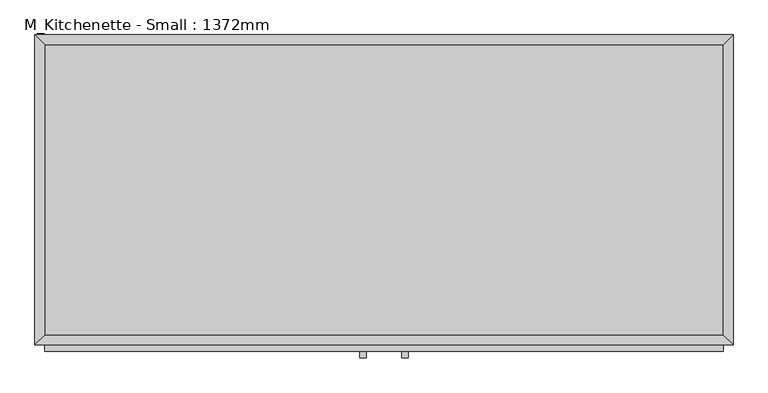
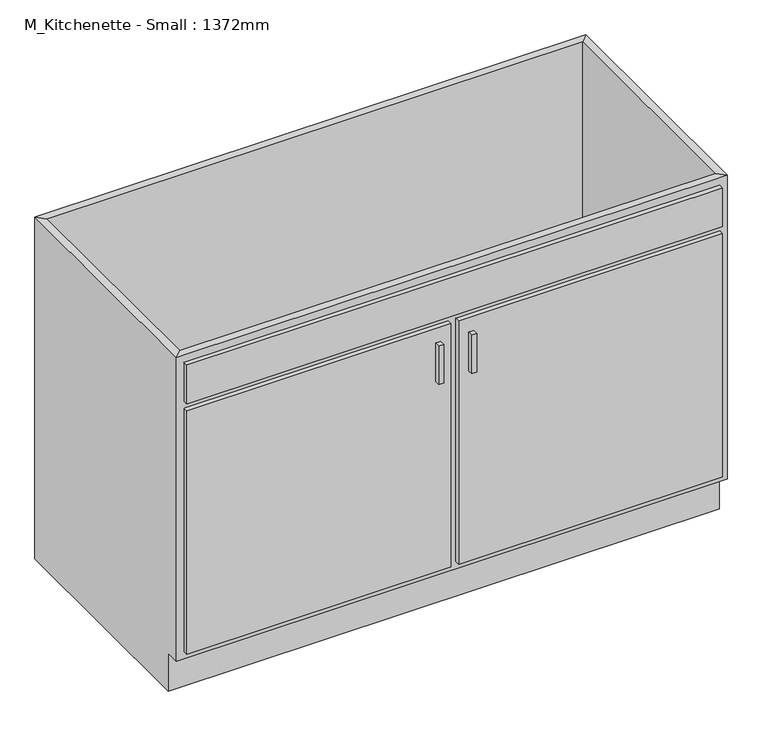
"""IFC4 building model written with IfcOpenShell, lengths in millimetres: proxy geometry, M_Kitchenette - Small : 1372mm."""

from ifc_helpers import new_model, si_unit, frame, origin, place, context, project, spatial, polyline, outline, extrude, faceted_brep, source, transform, mapped, element, save


def m_kitchenette_small_1372mm_f81b7602(model_context):
    return source(origin(), model_context, "Body", "SolidModel", [
        faceted_brep([(685.6877049, -590.95, 900.0), (685.6877049, -590.95, 100.0), (-648.2122951, -590.95, 100.0), (-648.2122951, -590.95, 900.0), (-667.2622951, -610.0, 900.0), (704.7377049, -610.0, 900.0), (-667.2622951, -610.0, 100.0), (704.7377049, -610.0, 100.0), (-648.2122951, -575.0, 100.0), (-648.2122951, -19.05, 100.0), (-648.2122951, -19.05, 900.0), (-667.2622951, 0.0, 900.0), (-667.2622951, 0.0, 0.0), (-667.2622951, -575.0, 0.0), (-667.2622951, -575.0, 100.0), (685.6877049, -19.05, 100.0), (685.6877049, -19.05, 900.0), (704.7377049, 0.0, 900.0), (704.7377049, 0.0, 0.0), (685.6877049, -575.0, 100.0), (704.7377049, -575.0, 100.0), (704.7377049, -575.0, 0.0)], [[[0, 1, 2, 3]], [[0, 3, 4, 5]], [[5, 4, 6, 7]], [[2, 1, 7, 6]], [[3, 2, 8, 9, 10]], [[4, 3, 10, 11]], [[6, 4, 11, 12, 13, 14]], [[2, 6, 14, 8]], [[10, 9, 15, 16]], [[11, 10, 16, 17]], [[12, 11, 17, 18]], [[1, 0, 16, 15, 19]], [[0, 5, 17, 16]], [[5, 7, 20, 21, 18, 17]], [[7, 1, 19, 20]], [[8, 19, 15, 9]], [[18, 21, 13, 12]], [[13, 21, 20, 19, 8, 14]]]),
        extrude(outline(polyline([(-16.1872951, -635.4), (-28.8872951, -635.4), (-28.8872951, -622.7), (-16.1872951, -622.7), (-16.1872951, -635.4)])), frame((0.0, 0.0, 620.6), z_axis=(0.0, 0.0, 1.0), x_axis=(1.0, 0.0, 0.0)), (0.0, 0.0, 1.0), 101.6),
        extrude(outline(polyline([(66.3627049, -635.4), (53.6627049, -635.4), (53.6627049, -622.7), (66.3627049, -622.7), (66.3627049, -635.4)])), frame((0.0, 0.0, 620.6), z_axis=(0.0, 0.0, 1.0), x_axis=(1.0, 0.0, 0.0)), (0.0, 0.0, 1.0), 101.6),
        extrude(outline(polyline([(9.2127049, -622.7), (-648.2122951, -622.7), (-648.2122951, -610.0), (9.2127049, -610.0), (9.2127049, -622.7)])), frame((0.0, 0.0, 119.05), z_axis=(0.0, 0.0, 1.0), x_axis=(1.0, 0.0, 0.0)), (0.0, 0.0, 1.0), 641.25),
        extrude(outline(polyline([(685.6877049, -622.7), (28.2627049, -622.7), (28.2627049, -610.0), (685.6877049, -610.0), (685.6877049, -622.7)])), frame((0.0, 0.0, 119.05), z_axis=(0.0, 0.0, 1.0), x_axis=(1.0, 0.0, 0.0)), (0.0, 0.0, 1.0), 641.25),
        extrude(outline(polyline([(685.6877049, -622.7), (-648.2122951, -622.7), (-648.2122951, -610.0), (685.6877049, -610.0), (685.6877049, -622.7)])), frame((0.0, 0.0, 779.35), z_axis=(0.0, 0.0, 1.0), x_axis=(1.0, 0.0, 0.0)), (0.0, 0.0, 1.0), 101.6),
        extrude(outline(polyline([(685.6877049, -19.05), (685.6877049, -590.95), (-648.2122951, -590.95), (-648.2122951, -19.05), (685.6877049, -19.05)])), frame((0.0, 0.0, 100.0), z_axis=(0.0, 0.0, 1.0), x_axis=(1.0, 0.0, 0.0)), (0.0, 0.0, 1.0), 19.05),
    ])


if __name__ == "__main__":
    model = new_model("IFC4")
    model_context = context("Model", 3, world=origin())
    ifc_project = project(units=[si_unit("LENGTHUNIT", "METRE", prefix="MILLI")], contexts=[model_context])
    site = spatial("IfcSite", under=ifc_project)
    building = spatial("IfcBuilding", under=site)
    placement = place(None, origin())
    m_kitchenette_small_1372mm_shape = m_kitchenette_small_1372mm_f81b7602(model_context)
    element("IfcBuildingElementProxy", 1, Name="M_Kitchenette - Small : 1372mm", ObjectType="M_Kitchenette - Small : 1372mm", at=placement, inside=building, context=model_context, shape_type="MappedRepresentation", body=[
        mapped(m_kitchenette_small_1372mm_shape, transform((0.0, 0.0, 0.0), x_axis=(1.0, 0.0, 0.0), y_axis=(0.0, 1.0, 0.0), z_axis=(0.0, 0.0, 1.0))),
    ])
    save(model, "model.ifc")
